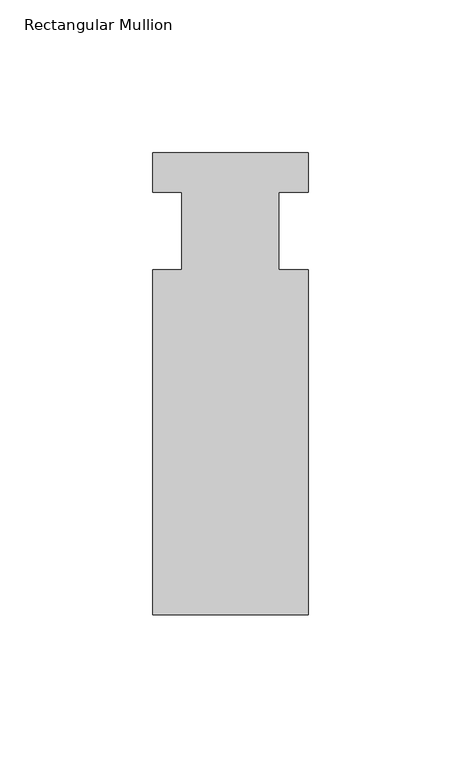
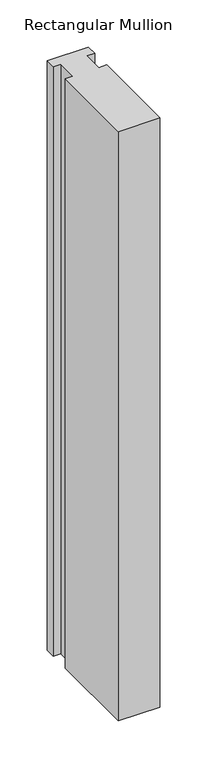
"""IFC4 building model written with IfcOpenShell, lengths in millimetres: member geometry, Rectangular Mullion."""

from ifc_helpers import new_model, si_unit, frame, origin, place, context, project, spatial, polyline, outline, extrude, source, transform, mapped, element, save


def rectangular_mullion_ecb73492(model_context):
    return source(origin(), model_context, "Body", "SweptSolid", [
        extrude(outline(polyline([(-25.4, 25.5984375), (25.4, 25.5984375), (25.4, 12.7), (15.875, 12.7), (15.875, -12.7), (25.4, -12.7), (25.4, -125.6109375), (-25.4, -125.6109375), (-25.4, -12.7), (-15.875, -12.7), (-15.875, 12.7), (-25.4, 12.7), (-25.4, 25.5984375)])), frame((0.0, 0.0, -764.22885), z_axis=(0.0, 0.0, 1.0), x_axis=(1.0, 0.0, 0.0)), (0.0, 0.0, 1.0), 764.22885),
    ])


if __name__ == "__main__":
    model = new_model("IFC4")
    model_context = context("Model", 3, world=origin())
    ifc_project = project(units=[si_unit("LENGTHUNIT", "METRE", prefix="MILLI")], contexts=[model_context])
    site = spatial("IfcSite", under=ifc_project)
    building = spatial("IfcBuilding", under=site)
    placement = place(None, origin())
    rectangular_mullion_shape = rectangular_mullion_ecb73492(model_context)
    element("IfcMember", 1, ObjectType="Rectangular Mullion", at=placement, inside=building, context=model_context, shape_type="MappedRepresentation", body=[
        mapped(rectangular_mullion_shape, transform((0.0, 0.0, 0.0), x_axis=(1.0, 0.0, 0.0), y_axis=(0.0, 1.0, 0.0), z_axis=(0.0, 0.0, 1.0))),
    ])
    save(model, "model.ifc")
